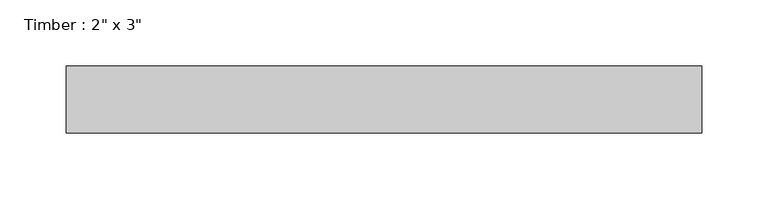
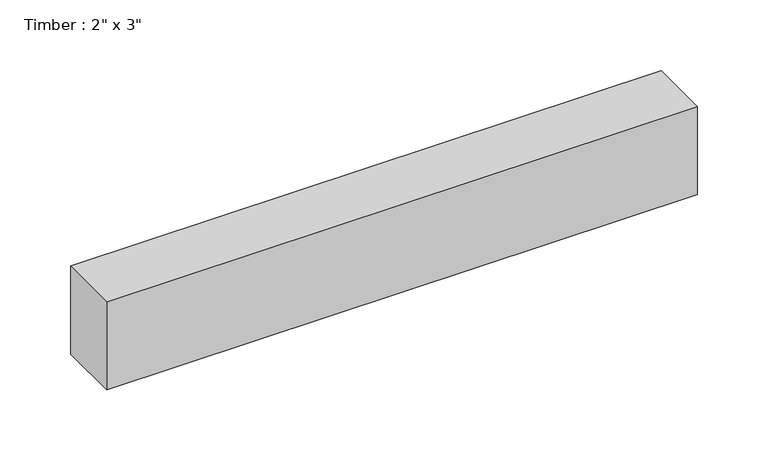
"""IFC4 building model written with IfcOpenShell, lengths in millimetres: beam geometry."""

from ifc_helpers import new_model, si_unit, frame, origin, place, context, project, spatial, polyline, outline, extrude, source, transform, mapped, element, save


def beam_412b5b7f(model_context):
    return source(origin(), model_context, "Body", "SweptSolid", [
        extrude(outline(polyline([(240.7611018, 25.4), (240.7611018, -25.4), (-240.7611018, -25.4), (-240.7611018, 25.4), (240.7611018, 25.4)])), frame((0.0, 0.0, -38.1), z_axis=(0.0, 0.0, 1.0), x_axis=(1.0, 0.0, 0.0)), (0.0, 0.0, 1.0), 76.2),
    ])


if __name__ == "__main__":
    model = new_model("IFC4")
    model_context = context("Model", 3, world=origin())
    ifc_project = project(units=[si_unit("LENGTHUNIT", "METRE", prefix="MILLI")], contexts=[model_context])
    site = spatial("IfcSite", under=ifc_project)
    building = spatial("IfcBuilding", under=site)
    placement = place(None, origin())
    beam_shape = beam_412b5b7f(model_context)
    element("IfcBeam", 1, ObjectType="Timber : 2\" x 3\"", at=placement, inside=building, context=model_context, shape_type="MappedRepresentation", body=[
        mapped(beam_shape, transform((0.0, 0.0, 0.0), x_axis=(1.0, 0.0, 0.0), y_axis=(0.0, 1.0, 0.0), z_axis=(0.0, 0.0, 1.0))),
    ])
    save(model, "model.ifc")
